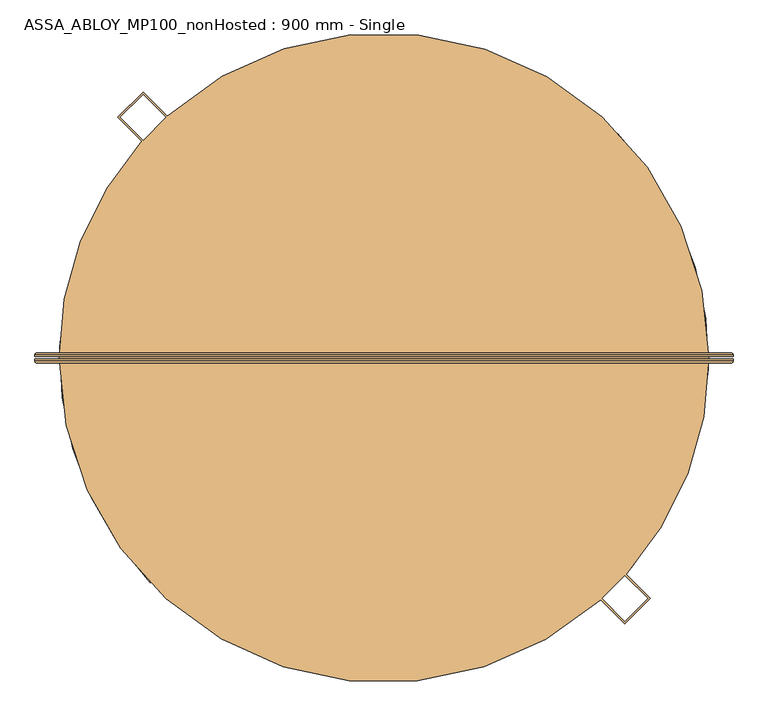
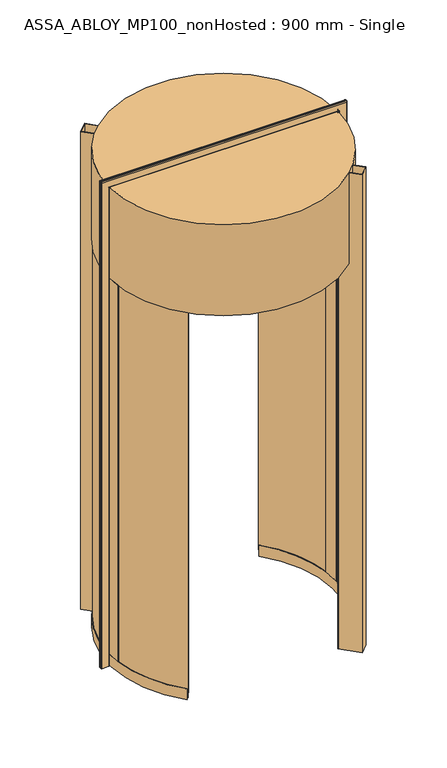
"""IFC4 building model written with IfcOpenShell, lengths in millimetres: door geometry, ASSA_ABLOY_MP100_nonHosted : 900 mm - Single."""

from ifc_helpers import new_model, si_unit, point, frame, origin, origin_2d, place, context, project, spatial, polyline, circle_curve, ellipse_curve, trimmed, segment, composite_curve, outline, extrude, source, transform, mapped, element, save
from ifc_brep_helpers import plane_surface, cylinder_surface, revolved_surface, advanced_brep


def assa_abloy_mp100_nonhosted_900_mm_single_928b8ccd(model_context):
    return source(origin(), model_context, "Body", "SolidModel", [
        advanced_brep(
        [(777.5980762, 11.0, 0.0), (781.5980762, 7.0, 0.0), (781.5980762, 3.0, 0.0), (779.5980762, 3.0, 0.0), (779.5980762, 7.0, 0.0), (777.5980762, 9.0, 0.0), (735.5980762, 9.0, 0.0), (733.5980762, 7.0, 0.0), (733.5980762, 3.0, 0.0), (731.5980762, 3.0, 0.0), (731.5980762, 7.0, 0.0), (735.5980762, 11.0, 0.0), (777.5980762, 11.0, 3260.9980762), (781.5980762, 7.0, 3264.9980762), (781.5980762, 3.0, 3264.9980762), (731.5980762, 7.0, 3214.9980762), (735.5980762, 11.0, 3218.9980762), (-735.5980762, 11.0, 3218.9980762), (-735.5980762, 11.0, 0.0), (-777.5980762, 11.0, 0.0), (-777.5980762, 11.0, 3260.9980762), (-781.5980762, 7.0, 3264.9980762), (-781.5980762, 3.0, 3264.9980762), (-731.5980762, 7.0, 3214.9980762), (-731.5980762, 7.0, 0.0), (-731.5980762, 3.0, 0.0), (-733.5980762, 3.0, 0.0), (-733.5980762, 7.0, 0.0), (-735.5980762, 9.0, 0.0), (-777.5980762, 9.0, 0.0), (-779.5980762, 7.0, 0.0), (-779.5980762, 3.0, 0.0), (-781.5980762, 3.0, 0.0), (-781.5980762, 7.0, 0.0), (-779.5980762, 3.0, 3262.9980762), (779.5980762, 3.0, 3262.9980762), (779.5980762, 7.0, 3262.9980762), (777.5980762, 9.0, 3260.9980762), (-777.5980762, 9.0, 3260.9980762), (-735.5980762, 9.0, 3218.9980762), (735.5980762, 9.0, 3218.9980762), (733.5980762, 7.0, 3216.9980762), (733.5980762, 3.0, 3216.9980762), (-733.5980762, 3.0, 3216.9980762), (-731.5980762, 3.0, 3214.9980762), (731.5980762, 3.0, 3214.9980762), (-779.5980762, 7.0, 3262.9980762), (-733.5980762, 7.0, 3216.9980762)],
        [
            (0, 1, circle_curve(frame((777.5980762, 7.0, 0.0), z_axis=(0.0, 0.0, -1.0), x_axis=(-1.0, 0.0, 0.0)), 4.0)),
            (1, 2),
            (2, 3),
            (3, 4),
            (4, 5, circle_curve(frame((777.5980762, 7.0, 0.0), z_axis=(0.0, 0.0, 1.0), x_axis=(-1.0, 0.0, 0.0)), 2.0)),
            (5, 6),
            (6, 7, circle_curve(frame((735.5980762, 7.0, 0.0), z_axis=(0.0, 0.0, 1.0), x_axis=(-1.0, 0.0, 0.0)), 2.0)),
            (7, 8),
            (8, 9),
            (9, 10),
            (10, 11, circle_curve(frame((735.5980762, 7.0, 0.0), z_axis=(0.0, 0.0, -1.0), x_axis=(-1.0, 0.0, 0.0)), 4.0)),
            (11, 0),
            (0, 12),
            (12, 13, ellipse_curve(frame((777.5980762, 7.0, 3260.9980762), z_axis=(0.7071067811865475, 0.0, -0.7071067811865475), x_axis=(-0.7071067811865474, 0.0, -0.7071067811865476)), 5.6568542, 4.0)),
            (13, 1),
            (13, 14),
            (14, 2),
            (10, 15),
            (15, 16, ellipse_curve(frame((735.5980762, 7.0, 3218.9980762), z_axis=(0.7071067811865475, 0.0, -0.7071067811865475), x_axis=(-0.7071067811865474, 0.0, -0.7071067811865476)), 5.6568542, 4.0)),
            (16, 11),
            (16, 17),
            (17, 18),
            (18, 19),
            (19, 20),
            (20, 12),
            (20, 21, ellipse_curve(frame((-777.5980762, 7.0, 3260.9980762), z_axis=(0.7071067811865475, 0.0, 0.7071067811865475), x_axis=(0.7071067811865476, 0.0, -0.7071067811865474)), 5.6568542, 4.0)),
            (21, 13),
            (21, 22),
            (22, 14),
            (15, 23),
            (23, 17, ellipse_curve(frame((-735.5980762, 7.0, 3218.9980762), z_axis=(0.7071067811865475, 0.0, 0.7071067811865475), x_axis=(0.7071067811865476, 0.0, -0.7071067811865474)), 5.6568542, 4.0)),
            (18, 24, circle_curve(frame((-735.5980762, 7.0, 0.0), z_axis=(0.0, 0.0, -1.0), x_axis=(1.0, 0.0, 0.0)), 4.0)),
            (24, 25),
            (25, 26),
            (26, 27),
            (27, 28, circle_curve(frame((-735.5980762, 7.0, 0.0), z_axis=(0.0, 0.0, 1.0), x_axis=(1.0, 0.0, 0.0)), 2.0)),
            (28, 29),
            (29, 30, circle_curve(frame((-777.5980762, 7.0, 0.0), z_axis=(0.0, 0.0, 1.0), x_axis=(1.0, 0.0, 0.0)), 2.0)),
            (30, 31),
            (31, 32),
            (32, 33),
            (33, 19, circle_curve(frame((-777.5980762, 7.0, 0.0), z_axis=(0.0, 0.0, -1.0), x_axis=(1.0, 0.0, 0.0)), 4.0)),
            (33, 21),
            (32, 22),
            (23, 24),
            (31, 34),
            (34, 35),
            (35, 3),
            (35, 36),
            (36, 4),
            (36, 37, ellipse_curve(frame((777.5980762, 7.0, 3260.9980762), z_axis=(-0.7071067811865475, 0.0, 0.7071067811865475), x_axis=(0.7071067811865474, 0.0, 0.7071067811865476)), 2.8284271, 2.0)),
            (37, 5),
            (37, 38),
            (38, 29),
            (28, 39),
            (39, 40),
            (40, 6),
            (40, 41, ellipse_curve(frame((735.5980762, 7.0, 3218.9980762), z_axis=(-0.7071067811865475, 0.0, 0.7071067811865475), x_axis=(0.7071067811865474, 0.0, 0.7071067811865476)), 2.8284271, 2.0)),
            (41, 7),
            (41, 42),
            (42, 8),
            (42, 43),
            (43, 26),
            (25, 44),
            (44, 45),
            (45, 9),
            (45, 15),
            (34, 46),
            (46, 36),
            (46, 38, ellipse_curve(frame((-777.5980762, 7.0, 3260.9980762), z_axis=(-0.7071067811865475, 0.0, -0.7071067811865475), x_axis=(-0.7071067811865476, 0.0, 0.7071067811865474)), 2.8284271, 2.0)),
            (39, 47, ellipse_curve(frame((-735.5980762, 7.0, 3218.9980762), z_axis=(-0.7071067811865475, 0.0, -0.7071067811865475), x_axis=(-0.7071067811865476, 0.0, 0.7071067811865474)), 2.8284271, 2.0)),
            (47, 41),
            (47, 43),
            (44, 23),
            (30, 46),
            (27, 47),
        ],
        [
            plane_surface(frame((731.6, 0.0, 0.0), z_axis=(0.0, 0.0, -1.0), x_axis=(0.0, -1.0, 0.0))),
            cylinder_surface(frame((777.5980762, 7.0, 0.0), z_axis=(0.0, 0.0, -1.0), x_axis=(-1.0, 0.0, 0.0)), 4.0),
            plane_surface(frame((781.5980762, 7.0, 0.0), z_axis=(1.0, 0.0, 0.0), x_axis=(0.0, 0.0, 1.0))),
            cylinder_surface(frame((735.5980762, 7.0, 0.0), z_axis=(0.0, 0.0, -1.0), x_axis=(-1.0, 0.0, 0.0)), 4.0),
            plane_surface(frame((735.5980762, 11.0, 0.0), z_axis=(0.0, 1.0, 0.0), x_axis=(0.0, 0.0, 1.0))),
            cylinder_surface(frame((731.6, 7.0, 3260.9980762), z_axis=(1.0, 0.0, 0.0), x_axis=(0.0, 0.0, -1.0)), 4.0),
            plane_surface(frame((781.5980762, 7.0, 3264.9980762), z_axis=(0.0, 0.0, 1.0), x_axis=(-1.0, 0.0, 0.0))),
            cylinder_surface(frame((731.6, 7.0, 3218.9980762), z_axis=(1.0, 0.0, 0.0), x_axis=(0.0, 0.0, -1.0)), 4.0),
            plane_surface(frame((-731.6, 0.0, 0.0), z_axis=(0.0, 0.0, -1.0), x_axis=(0.0, -1.0, 0.0))),
            cylinder_surface(frame((-777.5980762, 7.0, 3215.0), z_axis=(0.0, 0.0, 1.0), x_axis=(1.0, 0.0, 0.0)), 4.0),
            plane_surface(frame((-781.5980762, 7.0, 3264.9980762), z_axis=(-1.0, 0.0, 0.0), x_axis=(0.0, 0.0, -1.0))),
            cylinder_surface(frame((-735.5980762, 7.0, 3215.0), z_axis=(0.0, 0.0, 1.0), x_axis=(1.0, 0.0, 0.0)), 4.0),
            plane_surface(frame((781.5980762, 3.0, 0.0), z_axis=(0.0, -1.0, 0.0), x_axis=(0.0, 0.0, 1.0))),
            plane_surface(frame((779.5980762, 3.0, 0.0), z_axis=(-1.0, 0.0, 0.0), x_axis=(0.0, 0.0, 1.0))),
            revolved_surface(polyline([(775.5980762, 7.0, 3262.9980762), (775.5980762, 7.0, 0.0)]), (777.5980762, 7.0, 0.0), (0.0, 0.0, 1.0)),
            plane_surface(frame((777.5980762, 9.0, 0.0), z_axis=(0.0, -1.0, 0.0), x_axis=(0.0, 0.0, 1.0))),
            revolved_surface(polyline([(733.5980762, 7.0, 3220.998076182502), (733.5980762, 7.0, 0.0)]), (735.5980762, 7.0, 0.0), (0.0, 0.0, 1.0)),
            plane_surface(frame((733.5980762, 7.0, 0.0), z_axis=(1.0, 0.0, 0.0), x_axis=(0.0, 0.0, 1.0))),
            plane_surface(frame((733.5980762, 3.0, 0.0), z_axis=(0.0, -1.0, 0.0), x_axis=(0.0, 0.0, 1.0))),
            plane_surface(frame((731.5980762, 3.0, 0.0), z_axis=(-1.0, 0.0, 0.0), x_axis=(0.0, 0.0, 1.0))),
            plane_surface(frame((779.5980762, 3.0, 3262.9980762), z_axis=(0.0, 0.0, -1.0), x_axis=(-1.0, 0.0, 0.0))),
            revolved_surface(polyline([(-779.5980762, 7.0, 3258.9980762), (779.5980762, 7.0, 3258.9980762)]), (731.6, 7.0, 3260.9980762), (-1.0, 0.0, 0.0)),
            revolved_surface(polyline([(-737.5980761825018, 7.0, 3216.9980762), (737.5980761825018, 7.0, 3216.9980762)]), (731.6, 7.0, 3218.9980762), (-1.0, 0.0, 0.0)),
            plane_surface(frame((733.5980762, 7.0, 3216.9980762), z_axis=(0.0, 0.0, 1.0), x_axis=(-1.0, 0.0, 0.0))),
            plane_surface(frame((731.5980762, 3.0, 3214.9980762), z_axis=(0.0, 0.0, -1.0), x_axis=(-1.0, 0.0, 0.0))),
            plane_surface(frame((-779.5980762, 3.0, 3262.9980762), z_axis=(1.0, 0.0, 0.0), x_axis=(0.0, 0.0, -1.0))),
            revolved_surface(polyline([(-775.5980762, 7.0, 0.0), (-775.5980762, 7.0, 3262.9980762)]), (-777.5980762, 7.0, 3215.0), (0.0, 0.0, -1.0)),
            revolved_surface(polyline([(-733.5980762, 7.0, 0.0), (-733.5980762, 7.0, 3220.998076182502)]), (-735.5980762, 7.0, 3215.0), (0.0, 0.0, -1.0)),
            plane_surface(frame((-733.5980762, 7.0, 3216.9980762), z_axis=(-1.0, 0.0, 0.0), x_axis=(0.0, 0.0, -1.0))),
            plane_surface(frame((-731.5980762, 3.0, 3214.9980762), z_axis=(1.0, 0.0, 0.0), x_axis=(0.0, 0.0, -1.0))),
        ],
        [
            (0, [[1, 2, 3, 4, 5, 6, 7, 8, 9, 10, 11, 12]]),
            (1, [[-1, 13, 14, 15]]),
            (2, [[-2, -15, 16, 17]]),
            (3, [[-11, 18, 19, 20]]),
            (4, [[-12, -20, 21, 22, 23, 24, 25, -13]]),
            (5, [[-14, -25, 26, 27]]),
            (6, [[-16, -27, 28, 29]]),
            (7, [[-19, 30, 31, -21]]),
            (8, [[-23, 32, 33, 34, 35, 36, 37, 38, 39, 40, 41, 42]]),
            (9, [[-26, -24, -42, 43]]),
            (10, [[-28, -43, -41, 44]]),
            (11, [[-31, 45, -32, -22]]),
            (12, [[-3, -17, -29, -44, -40, 46, 47, 48]]),
            (13, [[-4, -48, 49, 50]]),
            (14, [[-5, -50, 51, 52]]),
            (15, [[-6, -52, 53, 54, -37, 55, 56, 57]]),
            (16, [[-7, -57, 58, 59]]),
            (17, [[-8, -59, 60, 61]]),
            (18, [[-9, -61, 62, 63, -34, 64, 65, 66]]),
            (19, [[-10, -66, 67, -18]]),
            (20, [[-49, -47, 68, 69]]),
            (21, [[-51, -69, 70, -53]]),
            (22, [[-58, -56, 71, 72]]),
            (23, [[-60, -72, 73, -62]]),
            (24, [[-67, -65, 74, -30]]),
            (25, [[-68, -46, -39, 75]]),
            (26, [[-70, -75, -38, -54]]),
            (27, [[-71, -55, -36, 76]]),
            (28, [[-73, -76, -35, -63]]),
            (29, [[-74, -64, -33, -45]]),
        ],
    ),
        advanced_brep(
        [(731.5980762, -3.0, 0.0), (733.5980762, -3.0, 0.0), (733.5980762, -7.0, 0.0), (735.5980762, -9.0, 0.0), (777.5980762, -9.0, 0.0), (779.5980762, -7.0, 0.0), (779.5980762, -3.0, 0.0), (781.5980762, -3.0, 0.0), (781.5980762, -7.0, 0.0), (777.5980762, -11.0, 0.0), (735.5980762, -11.0, 0.0), (731.5980762, -7.0, 0.0), (781.5980762, -7.0, 3264.9980762), (777.5980762, -11.0, 3260.9980762), (-777.5980762, -11.0, 3260.9980762), (-777.5980762, -11.0, 0.0), (-735.5980762, -11.0, 0.0), (-735.5980762, -11.0, 3218.9980762), (735.5980762, -11.0, 3218.9980762), (731.5980762, -7.0, 3214.9980762), (731.5980762, -3.0, 3214.9980762), (-781.5980762, -7.0, 3264.9980762), (-731.5980762, -7.0, 3214.9980762), (-731.5980762, -3.0, 3214.9980762), (-731.5980762, -3.0, 0.0), (-731.5980762, -7.0, 0.0), (-781.5980762, -7.0, 0.0), (-781.5980762, -3.0, 0.0), (-779.5980762, -3.0, 0.0), (-779.5980762, -7.0, 0.0), (-777.5980762, -9.0, 0.0), (-735.5980762, -9.0, 0.0), (-733.5980762, -7.0, 0.0), (-733.5980762, -3.0, 0.0), (-733.5980762, -3.0, 3216.9980762), (733.5980762, -3.0, 3216.9980762), (733.5980762, -7.0, 3216.9980762), (735.5980762, -9.0, 3218.9980762), (-735.5980762, -9.0, 3218.9980762), (-777.5980762, -9.0, 3260.9980762), (777.5980762, -9.0, 3260.9980762), (779.5980762, -7.0, 3262.9980762), (779.5980762, -3.0, 3262.9980762), (-779.5980762, -3.0, 3262.9980762), (-781.5980762, -3.0, 3264.9980762), (781.5980762, -3.0, 3264.9980762), (-733.5980762, -7.0, 3216.9980762), (-779.5980762, -7.0, 3262.9980762)],
        [
            (0, 1),
            (1, 2),
            (2, 3, circle_curve(frame((735.5980762, -7.0, 0.0), z_axis=(0.0, 0.0, 1.0), x_axis=(-1.0, 0.0, 0.0)), 2.0)),
            (3, 4),
            (4, 5, circle_curve(frame((777.5980762, -7.0, 0.0), z_axis=(0.0, 0.0, 1.0), x_axis=(-1.0, 0.0, 0.0)), 2.0)),
            (5, 6),
            (6, 7),
            (7, 8),
            (8, 9, circle_curve(frame((777.5980762, -7.0, 0.0), z_axis=(0.0, 0.0, -1.0), x_axis=(-1.0, 0.0, 0.0)), 4.0)),
            (9, 10),
            (10, 11, circle_curve(frame((735.5980762, -7.0, 0.0), z_axis=(0.0, 0.0, -1.0), x_axis=(-1.0, 0.0, 0.0)), 4.0)),
            (11, 0),
            (8, 12),
            (12, 13, ellipse_curve(frame((777.5980762, -7.0, 3260.9980762), z_axis=(0.7071067811865475, 0.0, -0.7071067811865475), x_axis=(-0.7071067811865474, 0.0, -0.7071067811865476)), 5.6568542, 4.0)),
            (13, 9),
            (13, 14),
            (14, 15),
            (15, 16),
            (16, 17),
            (17, 18),
            (18, 10),
            (18, 19, ellipse_curve(frame((735.5980762, -7.0, 3218.9980762), z_axis=(0.7071067811865475, 0.0, -0.7071067811865475), x_axis=(-0.7071067811865474, 0.0, -0.7071067811865476)), 5.6568542, 4.0)),
            (19, 11),
            (19, 20),
            (20, 0),
            (12, 21),
            (21, 14, ellipse_curve(frame((-777.5980762, -7.0, 3260.9980762), z_axis=(0.7071067811865475, 0.0, 0.7071067811865475), x_axis=(0.7071067811865476, 0.0, -0.7071067811865474)), 5.6568542, 4.0)),
            (17, 22, ellipse_curve(frame((-735.5980762, -7.0, 3218.9980762), z_axis=(0.7071067811865475, 0.0, 0.7071067811865475), x_axis=(0.7071067811865476, 0.0, -0.7071067811865474)), 5.6568542, 4.0)),
            (22, 19),
            (22, 23),
            (23, 20),
            (24, 25),
            (25, 16, circle_curve(frame((-735.5980762, -7.0, 0.0), z_axis=(0.0, 0.0, -1.0), x_axis=(1.0, 0.0, 0.0)), 4.0)),
            (15, 26, circle_curve(frame((-777.5980762, -7.0, 0.0), z_axis=(0.0, 0.0, -1.0), x_axis=(1.0, 0.0, 0.0)), 4.0)),
            (26, 27),
            (27, 28),
            (28, 29),
            (29, 30, circle_curve(frame((-777.5980762, -7.0, 0.0), z_axis=(0.0, 0.0, 1.0), x_axis=(1.0, 0.0, 0.0)), 2.0)),
            (30, 31),
            (31, 32, circle_curve(frame((-735.5980762, -7.0, 0.0), z_axis=(0.0, 0.0, 1.0), x_axis=(1.0, 0.0, 0.0)), 2.0)),
            (32, 33),
            (33, 24),
            (21, 26),
            (25, 22),
            (24, 23),
            (33, 34),
            (34, 35),
            (35, 1),
            (35, 36),
            (36, 2),
            (36, 37, ellipse_curve(frame((735.5980762, -7.0, 3218.9980762), z_axis=(-0.7071067811865475, 0.0, 0.7071067811865475), x_axis=(0.7071067811865474, 0.0, 0.7071067811865476)), 2.8284271, 2.0)),
            (37, 3),
            (37, 38),
            (38, 31),
            (30, 39),
            (39, 40),
            (40, 4),
            (40, 41, ellipse_curve(frame((777.5980762, -7.0, 3260.9980762), z_axis=(-0.7071067811865475, 0.0, 0.7071067811865475), x_axis=(0.7071067811865474, 0.0, 0.7071067811865476)), 2.8284271, 2.0)),
            (41, 5),
            (41, 42),
            (42, 6),
            (42, 43),
            (43, 28),
            (27, 44),
            (44, 45),
            (45, 7),
            (45, 12),
            (34, 46),
            (46, 36),
            (46, 38, ellipse_curve(frame((-735.5980762, -7.0, 3218.9980762), z_axis=(-0.7071067811865475, 0.0, -0.7071067811865475), x_axis=(-0.7071067811865476, 0.0, 0.7071067811865474)), 2.8284271, 2.0)),
            (39, 47, ellipse_curve(frame((-777.5980762, -7.0, 3260.9980762), z_axis=(-0.7071067811865475, 0.0, -0.7071067811865475), x_axis=(-0.7071067811865476, 0.0, 0.7071067811865474)), 2.8284271, 2.0)),
            (47, 41),
            (47, 43),
            (44, 21),
            (32, 46),
            (29, 47),
        ],
        [
            plane_surface(frame((731.6, 0.0, 0.0), z_axis=(0.0, 0.0, -1.0), x_axis=(0.0, -1.0, 0.0))),
            cylinder_surface(frame((777.5980762, -7.0, 0.0), z_axis=(0.0, 0.0, -1.0), x_axis=(-1.0, 0.0, 0.0)), 4.0),
            plane_surface(frame((777.5980762, -11.0, 0.0), z_axis=(0.0, -1.0, 0.0), x_axis=(0.0, 0.0, 1.0))),
            cylinder_surface(frame((735.5980762, -7.0, 0.0), z_axis=(0.0, 0.0, -1.0), x_axis=(-1.0, 0.0, 0.0)), 4.0),
            plane_surface(frame((731.5980762, -7.0, 0.0), z_axis=(-1.0, 0.0, 0.0), x_axis=(0.0, 0.0, 1.0))),
            cylinder_surface(frame((731.6, -7.0, 3260.9980762), z_axis=(1.0, 0.0, 0.0), x_axis=(0.0, 0.0, -1.0)), 4.0),
            cylinder_surface(frame((731.6, -7.0, 3218.9980762), z_axis=(1.0, 0.0, 0.0), x_axis=(0.0, 0.0, -1.0)), 4.0),
            plane_surface(frame((731.5980762, -7.0, 3214.9980762), z_axis=(0.0, 0.0, -1.0), x_axis=(-1.0, 0.0, 0.0))),
            plane_surface(frame((-731.6, 0.0, 0.0), z_axis=(0.0, 0.0, -1.0), x_axis=(0.0, -1.0, 0.0))),
            cylinder_surface(frame((-777.5980762, -7.0, 3215.0), z_axis=(0.0, 0.0, 1.0), x_axis=(1.0, 0.0, 0.0)), 4.0),
            cylinder_surface(frame((-735.5980762, -7.0, 3215.0), z_axis=(0.0, 0.0, 1.0), x_axis=(1.0, 0.0, 0.0)), 4.0),
            plane_surface(frame((-731.5980762, -7.0, 3214.9980762), z_axis=(1.0, 0.0, 0.0), x_axis=(0.0, 0.0, -1.0))),
            plane_surface(frame((731.5980762, -3.0, 0.0), z_axis=(0.0, 1.0, 0.0), x_axis=(0.0, 0.0, 1.0))),
            plane_surface(frame((733.5980762, -3.0, 0.0), z_axis=(1.0, 0.0, 0.0), x_axis=(0.0, 0.0, 1.0))),
            revolved_surface(polyline([(733.5980762, -7.0, 3220.998076182502), (733.5980762, -7.0, 0.0)]), (735.5980762, -7.0, 0.0), (0.0, 0.0, 1.0)),
            plane_surface(frame((735.5980762, -9.0, 0.0), z_axis=(0.0, 1.0, 0.0), x_axis=(0.0, 0.0, 1.0))),
            revolved_surface(polyline([(775.5980762, -7.0, 3262.9980762), (775.5980762, -7.0, 0.0)]), (777.5980762, -7.0, 0.0), (0.0, 0.0, 1.0)),
            plane_surface(frame((779.5980762, -7.0, 0.0), z_axis=(-1.0, 0.0, 0.0), x_axis=(0.0, 0.0, 1.0))),
            plane_surface(frame((779.5980762, -3.0, 0.0), z_axis=(0.0, 1.0, 0.0), x_axis=(0.0, 0.0, 1.0))),
            plane_surface(frame((781.5980762, -3.0, 0.0), z_axis=(1.0, 0.0, 0.0), x_axis=(0.0, 0.0, 1.0))),
            plane_surface(frame((733.5980762, -3.0, 3216.9980762), z_axis=(0.0, 0.0, 1.0), x_axis=(-1.0, 0.0, 0.0))),
            revolved_surface(polyline([(-737.5980761825018, -7.0, 3216.9980762), (737.5980761825018, -7.0, 3216.9980762)]), (731.6, -7.0, 3218.9980762), (-1.0, 0.0, 0.0)),
            revolved_surface(polyline([(-779.5980762, -7.0, 3258.9980762), (779.5980762, -7.0, 3258.9980762)]), (731.6, -7.0, 3260.9980762), (-1.0, 0.0, 0.0)),
            plane_surface(frame((779.5980762, -7.0, 3262.9980762), z_axis=(0.0, 0.0, -1.0), x_axis=(-1.0, 0.0, 0.0))),
            plane_surface(frame((781.5980762, -3.0, 3264.9980762), z_axis=(0.0, 0.0, 1.0), x_axis=(-1.0, 0.0, 0.0))),
            plane_surface(frame((-733.5980762, -3.0, 3216.9980762), z_axis=(-1.0, 0.0, 0.0), x_axis=(0.0, 0.0, -1.0))),
            revolved_surface(polyline([(-733.5980762, -7.0, 0.0), (-733.5980762, -7.0, 3220.998076182502)]), (-735.5980762, -7.0, 3215.0), (0.0, 0.0, -1.0)),
            revolved_surface(polyline([(-775.5980762, -7.0, 0.0), (-775.5980762, -7.0, 3262.9980762)]), (-777.5980762, -7.0, 3215.0), (0.0, 0.0, -1.0)),
            plane_surface(frame((-779.5980762, -7.0, 3262.9980762), z_axis=(1.0, 0.0, 0.0), x_axis=(0.0, 0.0, -1.0))),
            plane_surface(frame((-781.5980762, -3.0, 3264.9980762), z_axis=(-1.0, 0.0, 0.0), x_axis=(0.0, 0.0, -1.0))),
        ],
        [
            (0, [[1, 2, 3, 4, 5, 6, 7, 8, 9, 10, 11, 12]]),
            (1, [[-9, 13, 14, 15]]),
            (2, [[-10, -15, 16, 17, 18, 19, 20, 21]]),
            (3, [[-11, -21, 22, 23]]),
            (4, [[-12, -23, 24, 25]]),
            (5, [[-14, 26, 27, -16]]),
            (6, [[-22, -20, 28, 29]]),
            (7, [[-24, -29, 30, 31]]),
            (8, [[32, 33, -18, 34, 35, 36, 37, 38, 39, 40, 41, 42]]),
            (9, [[-27, 43, -34, -17]]),
            (10, [[-28, -19, -33, 44]]),
            (11, [[-30, -44, -32, 45]]),
            (12, [[-1, -25, -31, -45, -42, 46, 47, 48]]),
            (13, [[-2, -48, 49, 50]]),
            (14, [[-3, -50, 51, 52]]),
            (15, [[-4, -52, 53, 54, -39, 55, 56, 57]]),
            (16, [[-5, -57, 58, 59]]),
            (17, [[-6, -59, 60, 61]]),
            (18, [[-7, -61, 62, 63, -36, 64, 65, 66]]),
            (19, [[-8, -66, 67, -13]]),
            (20, [[-49, -47, 68, 69]]),
            (21, [[-51, -69, 70, -53]]),
            (22, [[-58, -56, 71, 72]]),
            (23, [[-60, -72, 73, -62]]),
            (24, [[-67, -65, 74, -26]]),
            (25, [[-68, -46, -41, 75]]),
            (26, [[-70, -75, -40, -54]]),
            (27, [[-71, -55, -38, 76]]),
            (28, [[-73, -76, -37, -63]]),
            (29, [[-74, -64, -35, -43]]),
        ],
    ),
        advanced_brep(
        [(-508.8775352, -489.438716, 73.0), (-511.0397512, -491.5183366, 73.0), (-511.0397512, -491.5183366, 39.0), (-521.1300925, -501.2232329, 39.0), (-521.1300925, -501.2232329, 73.0), (-523.2923085, -503.3028535, 73.0), (-523.2923085, -503.3028535, 0.0), (-521.1300925, -501.2232329, 0.0), (-521.1300925, -501.2232329, 24.0), (-511.0397512, -491.5183366, 24.0), (-511.0397512, -491.5183366, 0.0), (-508.8775352, -489.438716, 0.0), (-538.0965266, 457.1200395, 73.0), (-538.0965266, 457.1200395, 0.0), (-540.3828938, 459.0623384, 0.0), (-540.3828938, 459.0623384, 24.0), (-551.0526075, 468.1263998, 24.0), (-551.0526075, 468.1263998, 0.0), (-553.3389748, 470.0686987, 0.0), (-553.3389748, 470.0686987, 73.0), (-551.0526075, 468.1263998, 73.0), (-551.0526075, 468.1263998, 39.0), (-540.3828938, 459.0623384, 39.0), (-540.3828938, 459.0623384, 73.0), (-700.7945833, -85.9857809, 73.0), (-703.7722531, -86.3511337, 73.0), (-708.6507334, 23.7916078, 73.0), (-705.6524227, 23.6909452, 73.0), (-722.6428499, 24.261367, 73.0), (-717.6680454, -88.0561137, 73.0), (-720.6457151, -88.4214665, 73.0), (-725.6411606, 24.3620296, 73.0), (-725.6411606, 24.3620296, 2600.0), (-720.6457151, -88.4214665, 2600.0), (-717.6680454, -88.0561137, 2600.0), (-722.6428499, 24.261367, 2600.0), (-705.6524227, 23.6909452, 2600.0), (-708.6507334, 23.7916078, 2600.0), (-703.7722531, -86.3511337, 2600.0), (-700.7945833, -85.9857809, 2600.0)],
        [
            (0, 1),
            (1, 2),
            (2, 3),
            (3, 4),
            (4, 5),
            (5, 6),
            (6, 7),
            (7, 8),
            (8, 9),
            (9, 10),
            (10, 11),
            (11, 0),
            (12, 13),
            (13, 14),
            (14, 15),
            (15, 16),
            (16, 17),
            (17, 18),
            (18, 19),
            (19, 20),
            (20, 21),
            (21, 22),
            (22, 23),
            (23, 12),
            (0, 24, circle_curve(frame((0.0, 0.0, 73.0), z_axis=(0.0, 0.0, -1.0), x_axis=(-0.720738666047111, -0.6932068776812814, 0.0)), 706.05)),
            (24, 25),
            (25, 1, circle_curve(frame((0.0, 0.0, 73.0), z_axis=(0.0, 0.0, 1.0), x_axis=(-0.720738666047111, -0.6932068776812814, 0.0)), 709.05)),
            (23, 26, circle_curve(frame((0.0, 0.0, 73.0), z_axis=(0.0, 0.0, 1.0), x_axis=(-0.720738666047111, -0.6932068776812814, 0.0)), 709.05)),
            (26, 27),
            (27, 12, circle_curve(frame((0.0, 0.0, 73.0), z_axis=(0.0, 0.0, -1.0), x_axis=(-0.720738666047111, -0.6932068776812814, 0.0)), 706.05)),
            (25, 26, circle_curve(frame((0.0, 0.0, 73.0), z_axis=(0.0, 0.0, -1.0), x_axis=(-0.720738666047111, -0.6932068776812814, 0.0)), 709.05)),
            (22, 2, circle_curve(frame((0.0, 0.0, 39.0), z_axis=(0.0, 0.0, 1.0), x_axis=(-0.720738666047111, -0.6932068776812814, 0.0)), 709.05)),
            (21, 3, circle_curve(frame((0.0, 0.0, 39.0), z_axis=(0.0, 0.0, 1.0), x_axis=(-0.720738666047111, -0.6932068776812814, 0.0)), 723.05)),
            (20, 28, circle_curve(frame((0.0, 0.0, 73.0), z_axis=(0.0, 0.0, 1.0), x_axis=(-0.720738666047111, -0.6932068776812814, 0.0)), 723.05)),
            (28, 29, circle_curve(frame((0.0, 0.0, 73.0), z_axis=(0.0, 0.0, 1.0), x_axis=(-0.720738666047111, -0.6932068776812814, 0.0)), 723.05)),
            (29, 4, circle_curve(frame((0.0, 0.0, 73.0), z_axis=(0.0, 0.0, 1.0), x_axis=(-0.720738666047111, -0.6932068776812814, 0.0)), 723.05)),
            (29, 30),
            (30, 5, circle_curve(frame((0.0, 0.0, 73.0), z_axis=(0.0, 0.0, 1.0), x_axis=(-0.720738666047111, -0.6932068776812814, 0.0)), 726.05)),
            (19, 31, circle_curve(frame((0.0, 0.0, 73.0), z_axis=(0.0, 0.0, 1.0), x_axis=(-0.720738666047111, -0.6932068776812814, 0.0)), 726.05)),
            (31, 28),
            (30, 31, circle_curve(frame((0.0, 0.0, 73.0), z_axis=(0.0, 0.0, -1.0), x_axis=(-0.720738666047111, -0.6932068776812814, 0.0)), 726.05)),
            (18, 6, circle_curve(frame((0.0, 0.0, 0.0), z_axis=(0.0, 0.0, 1.0), x_axis=(-0.720738666047111, -0.6932068776812814, 0.0)), 726.05)),
            (17, 7, circle_curve(frame((0.0, 0.0, 0.0), z_axis=(0.0, 0.0, 1.0), x_axis=(-0.720738666047111, -0.6932068776812814, 0.0)), 723.05)),
            (16, 8, circle_curve(frame((0.0, 0.0, 24.0), z_axis=(0.0, 0.0, 1.0), x_axis=(-0.720738666047111, -0.6932068776812814, 0.0)), 723.05)),
            (15, 9, circle_curve(frame((0.0, 0.0, 24.0), z_axis=(0.0, 0.0, 1.0), x_axis=(-0.720738666047111, -0.6932068776812814, 0.0)), 709.05)),
            (14, 10, circle_curve(frame((0.0, 0.0, 0.0), z_axis=(0.0, 0.0, 1.0), x_axis=(-0.720738666047111, -0.6932068776812814, 0.0)), 709.05)),
            (13, 11, circle_curve(frame((0.0, 0.0, 0.0), z_axis=(0.0, 0.0, 1.0), x_axis=(-0.720738666047111, -0.6932068776812814, 0.0)), 706.05)),
            (27, 24, circle_curve(frame((0.0, 0.0, 73.0), z_axis=(0.0, 0.0, 1.0), x_axis=(-0.720738666047111, -0.6932068776812814, 0.0)), 706.05)),
            (32, 33, circle_curve(frame((0.0, 0.0, 2600.0), z_axis=(0.0, 0.0, 1.0), x_axis=(0.7071067811865459, -0.7071067811865491, 0.0)), 726.05)),
            (33, 34),
            (34, 35, circle_curve(frame((0.0, 0.0, 2600.0), z_axis=(0.0, 0.0, -1.0), x_axis=(0.7071067811865459, -0.7071067811865491, 0.0)), 723.05)),
            (35, 32),
            (32, 31),
            (30, 33),
            (29, 34),
            (28, 35),
            (36, 37),
            (37, 38, circle_curve(frame((0.0, 0.0, 2600.0), z_axis=(0.0, 0.0, 1.0), x_axis=(0.7071067811865459, -0.7071067811865492, 0.0)), 709.05)),
            (38, 39),
            (39, 36, circle_curve(frame((0.0, 0.0, 2600.0), z_axis=(0.0, 0.0, -1.0), x_axis=(0.7071067811865459, -0.7071067811865492, 0.0)), 706.05)),
            (36, 27),
            (26, 37),
            (25, 38),
            (24, 39),
        ],
        [
            plane_surface(frame((-516.0849218, -496.3707848, 0.0), z_axis=(0.6932068776812813, -0.7207386660471111, 0.0), x_axis=(0.0, 0.0, 1.0))),
            plane_surface(frame((-545.7177507, 463.5943691, 0.0), z_axis=(0.6474329573669898, 0.7621224086162496, 0.0), x_axis=(0.0, 0.0, 1.0))),
            plane_surface(frame((0.0, 0.0, 73.0), z_axis=(0.0, 0.0, 1.0), x_axis=(-0.720738666047111, -0.6932068776812814, 0.0))),
            cylinder_surface(frame((0.0, 0.0, 0.0), z_axis=(0.0, 0.0, -1.0), x_axis=(-0.720738666047111, -0.6932068776812814, 0.0)), 709.05),
            plane_surface(frame((0.0, 0.0, 39.0), z_axis=(0.0, 0.0, 1.0), x_axis=(-0.720738666047111, -0.6932068776812814, 0.0))),
            revolved_surface(polyline([(-521.1300924853635, -501.2232329074505, 39.0), (-521.1300924853635, -501.2232329074505, 73.0)]), (0.0, 0.0, 0.0), (0.0, 0.0, -1.0)),
            cylinder_surface(frame((0.0, 0.0, 0.0), z_axis=(0.0, 0.0, -1.0), x_axis=(-0.720738666047111, -0.6932068776812814, 0.0)), 726.05),
            plane_surface(frame((0.0, 0.0, 0.0), z_axis=(0.0, 0.0, -1.0), x_axis=(-0.720738666047111, -0.6932068776812814, 0.0))),
            revolved_surface(polyline([(-521.1300924853635, -501.2232329074505, 0.0), (-521.1300924853635, -501.2232329074505, 24.0)]), (0.0, 0.0, 0.0), (0.0, 0.0, -1.0)),
            plane_surface(frame((0.0, 0.0, 24.0), z_axis=(0.0, 0.0, -1.0), x_axis=(-0.720738666047111, -0.6932068776812814, 0.0))),
            revolved_surface(polyline([(-508.8775351625627, -489.4387159868687, 0.0), (-508.8775351625627, -489.4387159868687, 73.0)]), (0.0, 0.0, 0.0), (0.0, 0.0, -1.0)),
            plane_surface(frame((513.3948785, -513.3948785, 2600.0), z_axis=(0.0, 0.0, 1.0), x_axis=(0.7071067811865491, 0.7071067811865459, 0.0))),
            cylinder_surface(frame((0.0, 0.0, 73.0), z_axis=(0.0, 0.0, 1.0), x_axis=(0.7071067811865459, -0.7071067811865491, 0.0)), 726.05),
            plane_surface(frame((-720.6457151, -88.4214665, 2600.0), z_axis=(0.12178426629901193, -0.9925565940952744, 0.0), x_axis=(0.0, 0.0, -1.0))),
            revolved_surface(polyline([(511.27355813693197, -511.2735581369343, 73.0), (511.27355813693197, -511.2735581369343, 2600.0)]), (0.0, 0.0, 73.0), (0.0, 0.0, -1.0)),
            plane_surface(frame((-722.6428499, 24.261367, 2600.0), z_axis=(0.03355420367737419, 0.9994368991665143, 0.0), x_axis=(0.0, 0.0, -1.0))),
            plane_surface(frame((-705.6524227, 23.6909452, 2600.0), z_axis=(0.0, 0.0, 1.0), x_axis=(-0.9994368991763471, 0.033554203384497626, 0.0))),
            plane_surface(frame((-705.6524227, 23.6909452, 2600.0), z_axis=(0.033554203384497626, 0.9994368991763471, 0.0), x_axis=(0.0, 0.0, -1.0))),
            cylinder_surface(frame((0.0, 0.0, 73.0), z_axis=(0.0, 0.0, 1.0000000000000002), x_axis=(0.7071067811865459, -0.7071067811865492, 0.0)), 709.05),
            plane_surface(frame((-703.7722531, -86.3511337, 2600.0), z_axis=(0.12178426601375615, -0.9925565941302746, 0.0), x_axis=(0.0, 0.0, -1.0))),
            revolved_surface(polyline([(499.25274285676073, -499.25274285676306, 73.0), (499.25274285676073, -499.25274285676306, 2600.000000000001)]), (0.0, 0.0, 73.0), (0.0, 0.0, -1.0000000000000002)),
        ],
        [
            (0, [[1, 2, 3, 4, 5, 6, 7, 8, 9, 10, 11, 12]]),
            (1, [[13, 14, 15, 16, 17, 18, 19, 20, 21, 22, 23, 24]]),
            (2, [[-1, 25, 26, 27]]),
            (2, [[-24, 28, 29, 30]]),
            (3, [[-2, -27, 31, -28, -23, 32]]),
            (4, [[-3, -32, -22, 33]]),
            (5, [[-4, -33, -21, 34, 35, 36]]),
            (2, [[-5, -36, 37, 38]]),
            (2, [[-20, 39, 40, -34]]),
            (6, [[-6, -38, 41, -39, -19, 42]]),
            (7, [[-7, -42, -18, 43]]),
            (8, [[-8, -43, -17, 44]]),
            (9, [[-9, -44, -16, 45]]),
            (3, [[-10, -45, -15, 46]]),
            (7, [[-11, -46, -14, 47]]),
            (10, [[-12, -47, -13, -30, 48, -25]]),
            (11, [[49, 50, 51, 52]]),
            (12, [[-49, 53, -41, 54]]),
            (13, [[-50, -54, -37, 55]]),
            (14, [[-51, -55, -35, 56]]),
            (15, [[-52, -56, -40, -53]]),
            (16, [[57, 58, 59, 60]]),
            (17, [[-57, 61, -29, 62]]),
            (18, [[-58, -62, -31, 63]]),
            (19, [[-59, -63, -26, 64]]),
            (20, [[-60, -64, -48, -61]]),
        ],
    ),
        advanced_brep(
        [(720.6442865, 88.4212913, 2600.0), (717.6666167, 88.0559385, 2600.0), (722.6414113, -24.2613187, 2600.0), (725.639722, -24.3619813, 2600.0), (720.6442865, 88.4212913, 73.0), (717.6666167, 88.0559385, 73.0), (722.6414113, -24.2613187, 73.0), (725.639722, -24.3619813, 73.0), (551.054134, -468.1223798, 24.0), (551.054134, -468.1223798, 0.0), (553.3405121, -470.0646658, 0.0), (553.3405121, -470.0646658, 73.0), (551.054134, -468.1223798, 73.0), (551.054134, -468.1223798, 39.0), (540.3843694, -459.0583782, 39.0), (540.3843694, -459.0583782, 73.0), (538.0979913, -457.1160921, 73.0), (538.0979913, -457.1160921, 0.0), (540.3843694, -459.0583782, 0.0), (540.3843694, -459.0583782, 24.0), (521.131017, 501.2201953, 24.0), (511.0406377, 491.5153385, 24.0), (511.0406377, 491.5153385, 0.0), (508.8784135, 489.4357263, 0.0), (508.8784135, 489.4357263, 73.0), (511.0406377, 491.5153385, 73.0), (511.0406377, 491.5153385, 39.0), (521.131017, 501.2201953, 39.0), (521.131017, 501.2201953, 73.0), (523.2932411, 503.2998074, 73.0), (523.2932411, 503.2998074, 0.0), (521.131017, 501.2201953, 0.0), (703.7708244, 86.3509587, 73.0), (708.6492948, -23.7915598, 73.0), (705.6509841, -23.6908972, 73.0), (700.7931546, 85.9856059, 73.0), (700.7931546, 85.9856059, 2600.0), (705.6509841, -23.6908972, 2600.0), (708.6492948, -23.7915598, 2600.0), (703.7708244, 86.3509587, 2600.0)],
        [
            (0, 1),
            (1, 2, circle_curve(frame((0.0, 0.0, 2600.0), z_axis=(0.0, 0.0, -1.0), x_axis=(-0.7071067811865481, -0.7071067811865469, 0.0)), 723.0485606)),
            (2, 3),
            (3, 0, circle_curve(frame((0.0, 0.0, 2600.0), z_axis=(0.0, 0.0, 1.0), x_axis=(-0.7071067811865481, -0.7071067811865469, 0.0)), 726.0485606)),
            (0, 4),
            (4, 5),
            (5, 1),
            (5, 6, circle_curve(frame((0.0, 0.0, 73.0), z_axis=(0.0, 0.0, -1.0), x_axis=(-0.7071067811865481, -0.7071067811865469, 0.0)), 723.0485606)),
            (6, 2),
            (6, 7),
            (7, 3),
            (7, 4, circle_curve(frame((0.0, 0.0, 73.0), z_axis=(0.0, 0.0, 1.0), x_axis=(-0.7071067811865481, -0.7071067811865469, 0.0)), 726.0485606)),
            (8, 9),
            (9, 10),
            (10, 11),
            (11, 12),
            (12, 13),
            (13, 14),
            (14, 15),
            (15, 16),
            (16, 17),
            (17, 18),
            (18, 19),
            (19, 8),
            (20, 21),
            (21, 22),
            (22, 23),
            (23, 24),
            (24, 25),
            (25, 26),
            (26, 27),
            (27, 28),
            (28, 29),
            (29, 30),
            (30, 31),
            (31, 20),
            (8, 20, circle_curve(frame((0.0, 0.0, 24.0), z_axis=(0.0, 0.0, 1.0), x_axis=(0.7621260368712389, -0.6474286863608524, 0.0)), 723.0485606)),
            (31, 9, circle_curve(frame((0.0, 0.0, 0.0), z_axis=(0.0, 0.0, -1.0), x_axis=(0.7621260368712389, -0.6474286863608524, 0.0)), 723.0485606)),
            (30, 10, circle_curve(frame((0.0, 0.0, 0.0), z_axis=(0.0, 0.0, -1.0), x_axis=(0.7621260368712389, -0.6474286863608524, 0.0)), 726.0485606)),
            (29, 4, circle_curve(frame((0.0, 0.0, 73.0), z_axis=(0.0, 0.0, -1.0), x_axis=(0.7621260368712389, -0.6474286863608524, 0.0)), 726.0485606)),
            (7, 11, circle_curve(frame((0.0, 0.0, 73.0), z_axis=(0.0, 0.0, -1.0), x_axis=(0.7621260368712389, -0.6474286863608524, 0.0)), 726.0485606)),
            (6, 12, circle_curve(frame((0.0, 0.0, 73.0), z_axis=(0.0, 0.0, -1.0), x_axis=(0.7621260368712389, -0.6474286863608524, 0.0)), 723.0485606)),
            (28, 5, circle_curve(frame((0.0, 0.0, 73.0), z_axis=(0.0, 0.0, -1.0), x_axis=(0.7621260368712389, -0.6474286863608524, 0.0)), 723.0485606)),
            (27, 13, circle_curve(frame((0.0, 0.0, 39.0), z_axis=(0.0, 0.0, -1.0), x_axis=(0.7621260368712389, -0.6474286863608524, 0.0)), 723.0485606)),
            (26, 14, circle_curve(frame((0.0, 0.0, 39.0), z_axis=(0.0, 0.0, -1.0), x_axis=(0.7621260368712389, -0.6474286863608524, 0.0)), 709.0485606)),
            (25, 32, circle_curve(frame((0.0, 0.0, 73.0), z_axis=(0.0, 0.0, -1.0), x_axis=(0.7621260368712389, -0.6474286863608524, 0.0)), 709.0485606)),
            (32, 33, circle_curve(frame((0.0, 0.0, 73.0), z_axis=(0.0, 0.0, -1.0), x_axis=(0.7621260368712389, -0.6474286863608524, 0.0)), 709.0485606)),
            (33, 15, circle_curve(frame((0.0, 0.0, 73.0), z_axis=(0.0, 0.0, -1.0), x_axis=(0.7621260368712389, -0.6474286863608524, 0.0)), 709.0485606)),
            (33, 34),
            (34, 16, circle_curve(frame((0.0, 0.0, 73.0), z_axis=(0.0, 0.0, -1.0), x_axis=(0.7621260368712389, -0.6474286863608524, 0.0)), 706.0485606)),
            (24, 35, circle_curve(frame((0.0, 0.0, 73.0), z_axis=(0.0, 0.0, -1.0), x_axis=(0.7621260368712389, -0.6474286863608524, 0.0)), 706.0485606)),
            (35, 32),
            (34, 35, circle_curve(frame((0.0, 0.0, 73.0), z_axis=(0.0, 0.0, 1.0), x_axis=(0.7621260368712389, -0.6474286863608524, 0.0)), 706.0485606)),
            (23, 17, circle_curve(frame((0.0, 0.0, 0.0), z_axis=(0.0, 0.0, -1.0), x_axis=(0.7621260368712389, -0.6474286863608524, 0.0)), 706.0485606)),
            (22, 18, circle_curve(frame((0.0, 0.0, 0.0), z_axis=(0.0, 0.0, -1.0), x_axis=(0.7621260368712389, -0.6474286863608524, 0.0)), 709.0485606)),
            (21, 19, circle_curve(frame((0.0, 0.0, 24.0), z_axis=(0.0, 0.0, -1.0), x_axis=(0.7621260368712389, -0.6474286863608524, 0.0)), 709.0485606)),
            (36, 37, circle_curve(frame((0.0, 0.0, 2600.0), z_axis=(0.0, 0.0, -1.0), x_axis=(-0.707106781186548, -0.707106781186547, 0.0)), 706.0485606)),
            (37, 38),
            (38, 39, circle_curve(frame((0.0, 0.0, 2600.0), z_axis=(0.0, 0.0, 1.0), x_axis=(-0.707106781186548, -0.707106781186547, 0.0)), 709.0485606)),
            (39, 36),
            (36, 35),
            (34, 37),
            (33, 38),
            (32, 39),
        ],
        [
            plane_surface(frame((720.6442865, 88.4212913, 2600.0), z_axis=(0.0, 0.0, 1.0), x_axis=(-0.9925565940952488, -0.12178426629922118, 0.0))),
            plane_surface(frame((720.6442865, 88.4212913, 2600.0), z_axis=(-0.12178426629922118, 0.9925565940952488, 0.0), x_axis=(0.0, 0.0, -1.0))),
            revolved_surface(polyline([(-511.27254032743275, -511.2725403274319, 73.0), (-511.27254032743275, -511.2725403274319, 2600.0)]), (0.0, 0.0, 73.0), (0.0, 0.0, -1.0)),
            plane_surface(frame((722.6414113, -24.2613187, 2600.0), z_axis=(-0.033554203673284974, -0.9994368991666516, 0.0), x_axis=(0.0, 0.0, -1.0))),
            cylinder_surface(frame((0.0, 0.0, 73.0), z_axis=(0.0, 0.0, 1.0), x_axis=(-0.7071067811865481, -0.7071067811865469, 0.0)), 726.0485606),
            plane_surface(frame((545.7192517, -463.590379, 0.0), z_axis=(-0.6474286863608525, -0.7621260368712389, 0.0), x_axis=(0.0, 0.0, 1.0))),
            plane_surface(frame((516.0858273, 496.3677669, 0.0), z_axis=(-0.6932040565128175, 0.7207413794379887, 0.0), x_axis=(0.0, 0.0, 1.0))),
            revolved_surface(polyline([(551.0541339555318, -468.12237976436313, 24.0), (551.0541339555318, -468.12237976436313, 0.0)]), (0.0, 0.0, 0.0), (0.0, 0.0, 1.0)),
            plane_surface(frame((0.0, 0.0, 0.0), z_axis=(0.0, 0.0, -1.0), x_axis=(0.7621260368712389, -0.6474286863608524, 0.0))),
            cylinder_surface(frame((0.0, 0.0, 0.0), z_axis=(0.0, 0.0, 1.0), x_axis=(0.7621260368712389, -0.6474286863608524, 0.0)), 726.0485606),
            plane_surface(frame((0.0, 0.0, 73.0), z_axis=(0.0, 0.0, 1.0), x_axis=(0.7621260368712389, -0.6474286863608524, 0.0))),
            revolved_surface(polyline([(551.0541339555318, -468.12237976436313, 73.0), (551.0541339555318, -468.12237976436313, 39.0)]), (0.0, 0.0, 0.0), (0.0, 0.0, 1.0)),
            plane_surface(frame((0.0, 0.0, 39.0), z_axis=(0.0, 0.0, 1.0), x_axis=(0.7621260368712389, -0.6474286863608524, 0.0))),
            cylinder_surface(frame((0.0, 0.0, 0.0), z_axis=(0.0, 0.0, 1.0), x_axis=(0.7621260368712389, -0.6474286863608524, 0.0)), 709.0485606),
            revolved_surface(polyline([(538.0979913287207, -457.11609209622867, 73.0), (538.0979913287207, -457.11609209622867, 0.0)]), (0.0, 0.0, 0.0), (0.0, 0.0, 1.0)),
            plane_surface(frame((0.0, 0.0, 24.0), z_axis=(0.0, 0.0, -1.0), x_axis=(0.7621260368712389, -0.6474286863608524, 0.0))),
            plane_surface(frame((-499.251725, -499.251725, 2600.0), z_axis=(0.0, 0.0, 1.0), x_axis=(-0.707106781186547, 0.707106781186548, 0.0))),
            revolved_surface(polyline([(-499.25172504726135, -499.25172504726066, 73.0), (-499.25172504726135, -499.25172504726066, 2600.0)]), (0.0, 0.0, 73.0), (0.0, 0.0, -1.0)),
            plane_surface(frame((705.6509841, -23.6908972, 2600.0), z_axis=(-0.033554203669961646, -0.9994368991667631, 0.0), x_axis=(0.0, 0.0, -1.0))),
            cylinder_surface(frame((0.0, 0.0, 73.0), z_axis=(0.0, 0.0, 1.0), x_axis=(-0.707106781186548, -0.707106781186547, 0.0)), 709.0485606),
            plane_surface(frame((703.7708244, 86.3509587, 2600.0), z_axis=(-0.12178426630089154, 0.9925565940950438, 0.0), x_axis=(0.0, 0.0, -1.0))),
        ],
        [
            (0, [[1, 2, 3, 4]]),
            (1, [[-1, 5, 6, 7]]),
            (2, [[-2, -7, 8, 9]]),
            (3, [[-3, -9, 10, 11]]),
            (4, [[-4, -11, 12, -5]]),
            (5, [[13, 14, 15, 16, 17, 18, 19, 20, 21, 22, 23, 24]]),
            (6, [[25, 26, 27, 28, 29, 30, 31, 32, 33, 34, 35, 36]]),
            (7, [[-13, 37, -36, 38]]),
            (8, [[-14, -38, -35, 39]]),
            (9, [[-15, -39, -34, 40, -12, 41]]),
            (10, [[-16, -41, -10, 42]]),
            (10, [[-33, 43, -6, -40]]),
            (11, [[-17, -42, -8, -43, -32, 44]]),
            (12, [[-18, -44, -31, 45]]),
            (13, [[-19, -45, -30, 46, 47, 48]]),
            (10, [[-20, -48, 49, 50]]),
            (10, [[-29, 51, 52, -46]]),
            (14, [[-21, -50, 53, -51, -28, 54]]),
            (8, [[-22, -54, -27, 55]]),
            (13, [[-23, -55, -26, 56]]),
            (15, [[-24, -56, -25, -37]]),
            (16, [[57, 58, 59, 60]]),
            (17, [[-57, 61, -53, 62]]),
            (18, [[-58, -62, -49, 63]]),
            (19, [[-59, -63, -47, 64]]),
            (20, [[-60, -64, -52, -61]]),
        ],
    ),
        advanced_brep(
        [(539.1689207, -595.7374631, 3210.0), (595.7374631, -539.1689207, 3210.0), (541.9262915, -485.357749, 3210.0), (727.5, 0.0, 3210.0), (-485.357749, 541.9262915, 3210.0), (-539.1689207, 595.7374631, 3210.0), (-595.7374631, 539.1689207, 3210.0), (-541.9262915, 485.357749, 3210.0), (-727.5, 0.0, 3210.0), (485.357749, -541.9262915, 3210.0), (590.0806089, -539.1689207, 3210.0), (539.1689207, -590.0806089, 3210.0), (488.3341178, -539.2458061, 3210.0), (539.2458061, -488.3341178, 3210.0), (-488.3341178, 539.2458061, 3210.0), (-539.2458061, 488.3341178, 3210.0), (-590.0806089, 539.1689207, 3210.0), (-539.1689207, 590.0806089, 3210.0), (485.357749, -541.9262915, 2600.0), (-727.5, 0.0, 2600.0), (-541.9262915, 485.357749, 2600.0), (-496.7425138, 440.1739713, 2600.0), (-440.1739713, 496.7425138, 2600.0), (-485.357749, 541.9262915, 2600.0), (727.5, 0.0, 2600.0), (541.9262915, -485.357749, 2600.0), (496.7425138, -440.1739713, 2600.0), (440.1739713, -496.7425138, 2600.0), (539.2458061, -488.3341178, 2600.0), (488.3341178, -539.2458061, 2600.0), (445.8308255, -496.7425138, 2600.0), (496.7425138, -445.8308255, 2600.0), (-539.2458061, 488.3341178, 2600.0), (-488.3341178, 539.2458061, 2600.0), (-445.8308255, 496.7425138, 2600.0), (-496.7425138, 445.8308255, 2600.0), (539.1689207, -595.7374631, 0.0), (440.1739713, -496.7425138, 0.0), (496.7425138, -440.1739713, 0.0), (595.7374631, -539.1689207, 0.0), (496.7425138, -445.8308255, 0.0), (445.8308255, -496.7425138, 0.0), (539.1689207, -590.0806089, 0.0), (590.0806089, -539.1689207, 0.0), (-440.1739713, 496.7425138, 0.0), (-496.7425138, 440.1739713, 0.0), (-595.7374631, 539.1689207, 0.0), (-539.1689207, 595.7374631, 0.0), (-590.0806089, 539.1689207, 0.0), (-496.7425138, 445.8308255, 0.0), (-445.8308255, 496.7425138, 0.0), (-539.1689207, 590.0806089, 0.0)],
        [
            (0, 1),
            (1, 2),
            (2, 3, circle_curve(frame((0.0, 0.0, 3210.0), z_axis=(0.0, 0.0, 1.0), x_axis=(1.0, 0.0, 0.0)), 727.5)),
            (3, 4, circle_curve(frame((0.0, 0.0, 3210.0), z_axis=(0.0, 0.0, 1.0), x_axis=(1.0, 0.0, 0.0)), 727.5)),
            (4, 5),
            (5, 6),
            (6, 7),
            (7, 8, circle_curve(frame((0.0, 0.0, 3210.0), z_axis=(0.0, 0.0, 1.0), x_axis=(1.0, 0.0, 0.0)), 727.5)),
            (8, 9, circle_curve(frame((0.0, 0.0, 3210.0), z_axis=(0.0, 0.0, 1.0), x_axis=(1.0, 0.0, 0.0)), 727.5)),
            (9, 0),
            (10, 11),
            (11, 12),
            (12, 13, circle_curve(frame((0.0, 0.0, 3210.0), z_axis=(0.0, 0.0, 1.0), x_axis=(1.0, 0.0, 0.0)), 727.5)),
            (13, 10),
            (14, 15, circle_curve(frame((0.0, 0.0, 3210.0), z_axis=(0.0, 0.0, 1.0), x_axis=(1.0, 0.0, 0.0)), 727.5)),
            (15, 16),
            (16, 17),
            (17, 14),
            (18, 19, circle_curve(frame((0.0, 0.0, 2600.0), z_axis=(0.0, 0.0, -1.0), x_axis=(1.0, 0.0, 0.0)), 727.5)),
            (19, 20, circle_curve(frame((0.0, 0.0, 2600.0), z_axis=(0.0, 0.0, -1.0), x_axis=(1.0, 0.0, 0.0)), 727.5)),
            (20, 21),
            (21, 22),
            (22, 23),
            (23, 24, circle_curve(frame((0.0, 0.0, 2600.0), z_axis=(0.0, 0.0, -1.0), x_axis=(1.0, 0.0, 0.0)), 727.5)),
            (24, 25, circle_curve(frame((0.0, 0.0, 2600.0), z_axis=(0.0, 0.0, -1.0), x_axis=(1.0, 0.0, 0.0)), 727.5)),
            (25, 26),
            (26, 27),
            (27, 18),
            (28, 29, circle_curve(frame((0.0, 0.0, 2600.0), z_axis=(0.0, 0.0, -1.0), x_axis=(1.0, 0.0, 0.0)), 727.5)),
            (29, 30),
            (30, 31),
            (31, 28),
            (32, 33, circle_curve(frame((0.0, 0.0, 2600.0), z_axis=(0.0, 0.0, -1.0), x_axis=(1.0, 0.0, 0.0)), 727.5)),
            (33, 34),
            (34, 35),
            (35, 32),
            (12, 29),
            (28, 13),
            (8, 19),
            (18, 9),
            (24, 3),
            (2, 25),
            (14, 33),
            (32, 15),
            (7, 20),
            (23, 4),
            (36, 37),
            (37, 38),
            (38, 39),
            (39, 36),
            (40, 41),
            (41, 42),
            (42, 43),
            (43, 40),
            (36, 0),
            (27, 37),
            (26, 38),
            (1, 39),
            (40, 31),
            (30, 41),
            (11, 42),
            (10, 43),
            (44, 45),
            (45, 46),
            (46, 47),
            (47, 44),
            (48, 49),
            (49, 50),
            (50, 51),
            (51, 48),
            (44, 22),
            (21, 45),
            (6, 46),
            (5, 47),
            (48, 16),
            (35, 49),
            (34, 50),
            (17, 51),
        ],
        [
            plane_surface(frame((727.5, 0.0, 3210.0), z_axis=(0.0, 0.0, 1.0), x_axis=(0.0, 1.0, 0.0))),
            plane_surface(frame((727.5, 0.0, 2600.0), z_axis=(0.0, 0.0, -1.0), x_axis=(0.0, -1.0, 0.0))),
            cylinder_surface(frame((0.0, 0.0, 2600.0), z_axis=(0.0, 0.0, 1.0), x_axis=(1.0, 0.0, 0.0)), 727.5),
            plane_surface(frame((514.4201833, -514.4201833, 0.0), z_axis=(0.0, 0.0, -1.0000000000000002), x_axis=(0.7071067811865459, -0.7071067811865492, 0.0))),
            plane_surface(frame((539.1689207, -595.7374631, 0.0), z_axis=(-0.7071067811865492, -0.7071067811865459, 0.0), x_axis=(0.0, 0.0, 1.0))),
            plane_surface(frame((440.1739713, -496.7425138, 0.0), z_axis=(-0.7071067811865458, 0.7071067811865492, 0.0), x_axis=(0.0, 0.0, 1.0))),
            plane_surface(frame((496.7425138, -440.1739713, 0.0), z_axis=(0.7071067811865492, 0.7071067811865459, 0.0), x_axis=(0.0, 0.0, 1.0))),
            plane_surface(frame((595.7374631, -539.1689207, 0.0), z_axis=(0.7071067811865458, -0.7071067811865492, 0.0), x_axis=(0.0, 0.0, 1.0))),
            plane_surface(frame((496.7425138, -445.8308255, 0.0), z_axis=(0.7071067811865457, -0.7071067811865495, 0.0), x_axis=(0.0, 0.0, 1.0))),
            plane_surface(frame((445.8308255, -496.7425138, 0.0), z_axis=(0.7071067811865491, 0.707106781186546, 0.0), x_axis=(0.0, 0.0, 1.0))),
            plane_surface(frame((539.1689207, -590.0806089, 0.0), z_axis=(-0.7071067811865461, 0.707106781186549, 0.0), x_axis=(0.0, 0.0, 1.0))),
            plane_surface(frame((590.0806089, -539.1689207, 0.0), z_axis=(-0.7071067811865493, -0.7071067811865458, 0.0), x_axis=(0.0, 0.0, 1.0))),
            plane_surface(frame((-514.4201833, 514.4201833, 0.0), z_axis=(0.0, 0.0, -1.0), x_axis=(-0.707106781186546, 0.7071067811865491, 0.0))),
            plane_surface(frame((-440.1739713, 496.7425138, 0.0), z_axis=(0.7071067811865458, -0.7071067811865492, 0.0), x_axis=(0.0, 0.0, 1.0))),
            plane_surface(frame((-496.7425138, 440.1739713, 0.0), z_axis=(-0.7071067811865492, -0.7071067811865459, 0.0), x_axis=(0.0, 0.0, 1.0))),
            plane_surface(frame((-595.7374631, 539.1689207, 0.0), z_axis=(-0.7071067811865458, 0.7071067811865492, 0.0), x_axis=(0.0, 0.0, 1.0))),
            plane_surface(frame((-539.1689207, 595.7374631, 0.0), z_axis=(0.7071067811865492, 0.7071067811865459, 0.0), x_axis=(0.0, 0.0, 1.0))),
            plane_surface(frame((-590.0806089, 539.1689207, 0.0), z_axis=(0.7071067811865491, 0.707106781186546, 0.0), x_axis=(0.0, 0.0, 1.0))),
            plane_surface(frame((-496.7425138, 445.8308255, 0.0), z_axis=(-0.7071067811865461, 0.7071067811865489, 0.0), x_axis=(0.0, 0.0, 1.0))),
            plane_surface(frame((-445.8308255, 496.7425138, 0.0), z_axis=(-0.7071067811865491, -0.707106781186546, 0.0), x_axis=(0.0, 0.0, 1.0))),
            plane_surface(frame((-539.1689207, 590.0806089, 0.0), z_axis=(0.7071067811865461, -0.7071067811865489, 0.0), x_axis=(0.0, 0.0, 1.0))),
        ],
        [
            (0, [[1, 2, 3, 4, 5, 6, 7, 8, 9, 10], [11, 12, 13, 14], [15, 16, 17, 18]]),
            (1, [[19, 20, 21, 22, 23, 24, 25, 26, 27, 28]]),
            (1, [[29, 30, 31, 32]]),
            (1, [[33, 34, 35, 36]]),
            (2, [[-13, 37, -29, 38]]),
            (2, [[39, -19, 40, -9]]),
            (2, [[41, -3, 42, -25]]),
            (2, [[-15, 43, -33, 44]]),
            (2, [[-39, -8, 45, -20]]),
            (2, [[-41, -24, 46, -4]]),
            (3, [[47, 48, 49, 50], [51, 52, 53, 54]]),
            (4, [[-47, 55, -10, -40, -28, 56]]),
            (5, [[-48, -56, -27, 57]]),
            (6, [[-49, -57, -26, -42, -2, 58]]),
            (7, [[-50, -58, -1, -55]]),
            (8, [[-51, 59, -31, 60]]),
            (9, [[-52, -60, -30, -37, -12, 61]]),
            (10, [[-53, -61, -11, 62]]),
            (11, [[-54, -62, -14, -38, -32, -59]]),
            (12, [[63, 64, 65, 66], [67, 68, 69, 70]]),
            (13, [[-63, 71, -22, 72]]),
            (14, [[-64, -72, -21, -45, -7, 73]]),
            (15, [[-65, -73, -6, 74]]),
            (16, [[-66, -74, -5, -46, -23, -71]]),
            (17, [[-67, 75, -16, -44, -36, 76]]),
            (18, [[-68, -76, -35, 77]]),
            (19, [[-69, -77, -34, -43, -18, 78]]),
            (20, [[-70, -78, -17, -75]]),
        ],
    ),
        extrude(outline(composite_curve([segment(trimmed(circle_curve(origin_2d(), 711.05), [point((-539.1438074, 463.5903983))], [point((-509.0680834, -496.4290372))], True, "CARTESIAN"), True, "CONTINUOUS"), segment(polyline([(-509.0680834, -496.4290372), (-516.2274685, -503.4106705)]), True, "CONTINUOUS"), segment(trimmed(circle_curve(origin_2d(), 721.05), [point((-516.2274685, -503.4106705))], [point((-546.7261688, 470.1101986))], False, "CARTESIAN"), True, "CONTINUOUS"), segment(polyline([(-546.7261688, 470.1101986), (-539.1438074, 463.5903983)]), True, "CONTINUOUS")], self_intersect=False)), frame((0.0, 0.0, 39.0), z_axis=(0.0, 0.0, 1.0), x_axis=(1.0, 0.0, 0.0)), (0.0, 0.0, 1.0), 2561.0),
        extrude(outline(composite_curve([segment(trimmed(circle_curve(origin_2d(), 721.0485606), [point((516.2264507, 503.4096526))], [point((546.5275854, -470.3388407))], False, "CARTESIAN"), True, "CONTINUOUS"), segment(polyline([(546.5275854, -470.3388407), (538.947963, -463.8158565)]), True, "CONTINUOUS"), segment(trimmed(circle_curve(origin_2d(), 711.0485606), [point((538.947963, -463.8158565))], [point((509.0670654, 496.4280194))], True, "CARTESIAN"), True, "CONTINUOUS"), segment(polyline([(509.0670654, 496.4280194), (516.2264507, 503.4096526)]), True, "CONTINUOUS")], self_intersect=False)), frame((0.0, 0.0, 39.0), z_axis=(0.0, 0.0, 1.0), x_axis=(1.0, 0.0, 0.0)), (0.0, 0.0, 1.0), 2561.0),
    ])


if __name__ == "__main__":
    model = new_model("IFC4")
    model_context = context("Model", 3, world=origin())
    ifc_project = project(units=[si_unit("LENGTHUNIT", "METRE", prefix="MILLI")], contexts=[model_context])
    site = spatial("IfcSite", under=ifc_project)
    building = spatial("IfcBuilding", under=site)
    placement = place(None, origin())
    assa_abloy_mp100_nonhosted_900_mm_single_shape = assa_abloy_mp100_nonhosted_900_mm_single_928b8ccd(model_context)
    element("IfcDoor", 1, ObjectType="ASSA_ABLOY_MP100_nonHosted : 900 mm - Single", at=placement, inside=building, context=model_context, shape_type="MappedRepresentation", body=[
        mapped(assa_abloy_mp100_nonhosted_900_mm_single_shape, transform((0.0, 0.0, 0.0), x_axis=(1.0, 0.0, 0.0), y_axis=(0.0, 1.0, 0.0), z_axis=(0.0, 0.0, 1.0))),
    ])
    save(model, "model.ifc")
